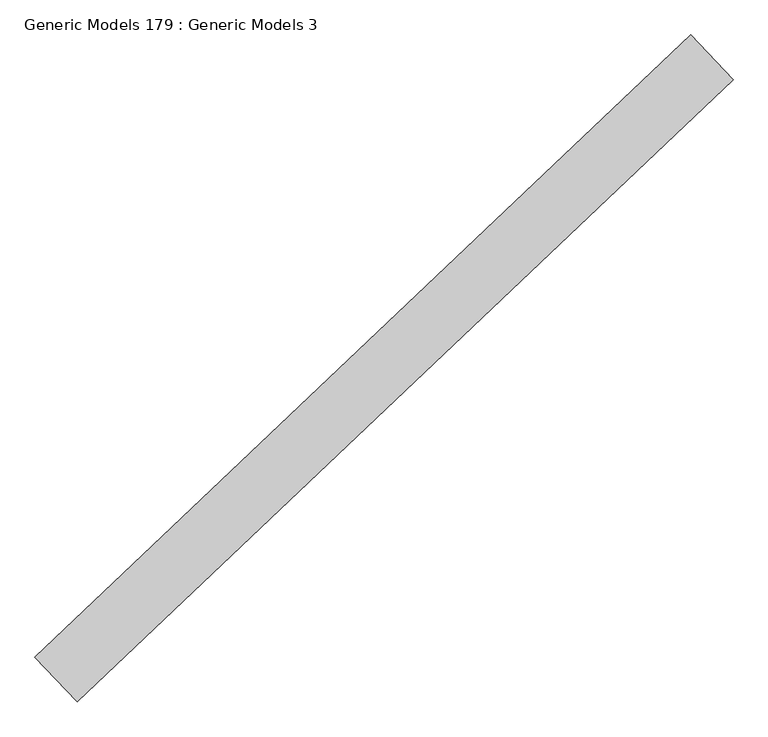
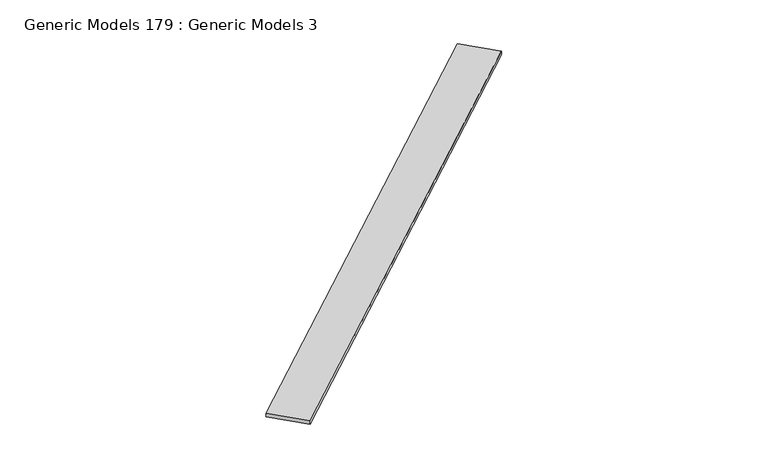
"""IFC4 building model written with IfcOpenShell, lengths in millimetres: proxy geometry, Generic Models 179 : Generic Models 3."""

import ifcopenshell
import ifcopenshell.guid

model = None  # the IFC model being written
_history = None  # IfcOwnerHistory: only IFC2X3 demands one
_inside = {}  # id of a spatial element -> (the spatial element, [elements in it])
_under = {}  # id of a project, library or spatial element -> (it, [spatial elements below it])
_declared = {}  # id of a project -> (the project, [libraries it declares])
_typed = {}  # id of a type object -> (the type object, [elements of that type])
_made_of = {}  # id of a material, layer set ... -> (it, [elements and type objects made of it])


def new_model(schema):
    """Start an empty IFC model of exactly this schema.

    Asked for "IFC4X3", IfcOpenShell would pick the latest addendum, in which some entities
    have other attributes; the version numbers below select the first issue.
    IFC2X3 requires an IfcOwnerHistory on every rooted entity: one is made here for all.
    """
    global model, _history
    if schema == "IFC4X3":
        model = ifcopenshell.file(schema_version=(4, 3, 0, 0))
    else:
        model = ifcopenshell.file(schema=schema)
    _inside.clear()
    _under.clear()
    _declared.clear()
    _typed.clear()
    _made_of.clear()
    _history = None
    if model.schema == "IFC2X3":
        org = make("IfcOrganization", Name="unknown")
        user = make(
            "IfcPersonAndOrganization",
            ThePerson=make("IfcPerson", FamilyName="unknown"),
            TheOrganization=org,
        )
        app = make(
            "IfcApplication",
            ApplicationDeveloper=org,
            Version="unknown",
            ApplicationFullName="unknown",
            ApplicationIdentifier="unknown",
        )
        _history = make(
            "IfcOwnerHistory",
            OwningUser=user,
            OwningApplication=app,
            ChangeAction="ADDED",
            CreationDate=0,
        )
    return model


def make(cls, **values):
    """One entity of the class cls with the attributes given. An attribute that is None is left unset."""
    return model.create_entity(
        cls, **{name: value for name, value in values.items() if value is not None}
    )


def rooted(cls, **values):
    """An entity with a GlobalId (a new one), such as an element, a storey or a relation."""
    return make(cls, GlobalId=ifcopenshell.guid.new(), OwnerHistory=_history, **values)


def si_unit(unit_type, name, prefix=None):
    """IfcSIUnit, for example si_unit("LENGTHUNIT", "METRE", prefix="MILLI")."""
    return make("IfcSIUnit", UnitType=unit_type, Prefix=prefix, Name=name)


def assignment(units):
    """IfcUnitAssignment: the units of a project."""
    return None if units is None else make("IfcUnitAssignment", Units=units)


def point(xyz):
    """IfcCartesianPoint."""
    return None if xyz is None else make("IfcCartesianPoint", Coordinates=xyz)


def direction(xyz):
    """IfcDirection."""
    return None if xyz is None else make("IfcDirection", DirectionRatios=xyz)


def frame(location, z_axis=None, x_axis=None):
    """IfcAxis2Placement3D, a coordinate frame: its origin and axes. An axis left out is left unset."""
    return make(
        "IfcAxis2Placement3D",
        Location=point(location),
        Axis=direction(z_axis),
        RefDirection=direction(x_axis),
    )


def origin():
    """The frame at (0, 0, 0) with its axes left unset."""
    return frame((0.0, 0.0, 0.0))


def place(relative_to, where):
    """IfcLocalPlacement: puts the frame where relative to a parent placement (None: the world)."""
    return make(
        "IfcLocalPlacement", PlacementRelTo=relative_to, RelativePlacement=where
    )


def context(
    kind, dimensions, precision=None, world=None, true_north=None, identifier=None
):
    """IfcGeometricRepresentationContext, for example the 3D "Model" context."""
    return make(
        "IfcGeometricRepresentationContext",
        ContextIdentifier=identifier,
        ContextType=kind,
        CoordinateSpaceDimension=dimensions,
        Precision=precision,
        WorldCoordinateSystem=world,
        TrueNorth=true_north,
    )


def project(units=None, contexts=None):
    """IfcProject with its units and contexts."""
    return rooted(
        "IfcProject",
        Name="project",
        RepresentationContexts=contexts,
        UnitsInContext=assignment(units),
    )


def spatial(cls, under=None, at=None, **own):
    """A site, building, storey or space (cls), placed at a placement, below another one or the project."""
    s = rooted(cls, ObjectPlacement=at, **own)
    if under is not None:
        _under.setdefault(under.id(), (under, []))[1].append(s)
    return s


def polyline(points):
    """IfcPolyline through the points."""
    return make("IfcPolyline", Points=[point(p) for p in points])


def outline(outer, holes=None, kind="AREA"):
    """IfcArbitraryClosedProfileDef: a profile drawn as a closed curve; with holes, ...WithVoids."""
    if holes is None:
        return make("IfcArbitraryClosedProfileDef", ProfileType=kind, OuterCurve=outer)
    return make(
        "IfcArbitraryProfileDefWithVoids",
        ProfileType=kind,
        OuterCurve=outer,
        InnerCurves=holes,
    )


def extrude(swept, where, along, depth):
    """IfcExtrudedAreaSolid: the profile swept, set in the frame where, extruded along a direction by depth."""
    return make(
        "IfcExtrudedAreaSolid",
        SweptArea=swept,
        Position=where,
        ExtrudedDirection=direction(along),
        Depth=depth,
    )


def shape(context_of_items, identifier, shape_type, items):
    """IfcShapeRepresentation: the items that make up one representation, for example the "Body"."""
    return make(
        "IfcShapeRepresentation",
        ContextOfItems=context_of_items,
        RepresentationIdentifier=identifier,
        RepresentationType=shape_type,
        Items=items,
    )


def source(mapping_origin, context_of_items, identifier, shape_type, items):
    """IfcRepresentationMap: a shape defined once, which mapped items show again and again."""
    return make(
        "IfcRepresentationMap",
        MappingOrigin=mapping_origin,
        MappedRepresentation=shape(context_of_items, identifier, shape_type, items),
    )


def transform(
    local_origin,
    x_axis=None,
    y_axis=None,
    z_axis=None,
    scale=None,
    scale2=None,
    scale3=None,
    uniform=True,
):
    """IfcCartesianTransformationOperator3D, or its non-uniform kind. x_axis, y_axis, z_axis: its Axis1, 2, 3."""
    if uniform:
        return make(
            "IfcCartesianTransformationOperator3D",
            Axis1=direction(x_axis),
            Axis2=direction(y_axis),
            LocalOrigin=point(local_origin),
            Scale=scale,
            Axis3=direction(z_axis),
        )
    return make(
        "IfcCartesianTransformationOperator3DnonUniform",
        Axis1=direction(x_axis),
        Axis2=direction(y_axis),
        LocalOrigin=point(local_origin),
        Scale=scale,
        Axis3=direction(z_axis),
        Scale2=scale2,
        Scale3=scale3,
    )


def mapped(mapping_source, mapping_target):
    """IfcMappedItem: shows the shape of a source again, moved by a transform."""
    return make(
        "IfcMappedItem", MappingSource=mapping_source, MappingTarget=mapping_target
    )


def made_of(thing, what):
    """Note that an element or type object is made of a material, layer set ...; save() writes the relation."""
    if what is not None:
        _made_of.setdefault(what.id(), (what, []))[1].append(thing)
    return thing


def element(
    cls,
    number,
    at=None,
    inside=None,
    cuts=None,
    type_object=None,
    material=None,
    context=None,
    identifier="Body",
    shape_type=None,
    held_by="IfcProductDefinitionShape",
    body=None,
    shapes=None,
    **own,
):
    """One element of the class cls, such as IfcWall. Its Tag is "e" and its number.

    at: its placement. inside: the storey or other place that contains it. cuts: it is an
    opening in that element (IfcRelVoidsElement). A single representation is given by context,
    identifier, shape_type and body (its items); several are given by shapes. held_by: the class
    of the entity that holds the representations. save() writes the other relations.
    """
    e = rooted(cls, Tag="e%d" % number, ObjectPlacement=at, **own)
    if body is not None:
        shapes = [shape(context, identifier, shape_type, body)]
    if shapes is not None:
        e.Representation = make(held_by, Representations=shapes)
    if inside is not None:
        _inside.setdefault(inside.id(), (inside, []))[1].append(e)
    if cuts is not None:
        rooted(
            "IfcRelVoidsElement", RelatingBuildingElement=cuts, RelatedOpeningElement=e
        )
    if type_object is not None:
        _typed.setdefault(type_object.id(), (type_object, []))[1].append(e)
    return made_of(e, material)


def aggregate(whole, parts):
    """IfcRelAggregates: a whole, such as a stair, and the parts it consists of."""
    return rooted("IfcRelAggregates", RelatingObject=whole, RelatedObjects=parts)


def save(model, path):
    """Write the relations noted so far, then the file.

    IfcRelAggregates (storeys below a building ...), IfcRelContainedInSpatialStructure (elements
    in a storey), IfcRelDefinesByType, IfcRelAssociatesMaterial and IfcRelDeclares: one each for
    every whole, place, type object, material and project.
    """
    for whole, parts in _under.values():
        aggregate(whole, parts)
    for where, things in _inside.values():
        rooted(
            "IfcRelContainedInSpatialStructure",
            RelatedElements=things,
            RelatingStructure=where,
        )
    for kind, things in _typed.values():
        rooted("IfcRelDefinesByType", RelatedObjects=things, RelatingType=kind)
    for what, things in _made_of.values():
        rooted("IfcRelAssociatesMaterial", RelatedObjects=things, RelatingMaterial=what)
    for by, libraries in _declared.values():
        rooted("IfcRelDeclares", RelatingContext=by, RelatedDefinitions=libraries)
    model.write(path)


def generic_models_179_generic_models_3_b58dd6e4(model_context):
    return source(origin(), model_context, "Body", "SweptSolid", [
        extrude(outline(polyline([(111665.2353123, 51338.8751029), (111877.897889, 51114.7755062), (108591.4260919, 47996.0302212), (108378.7635152, 48220.129818), (111665.2353123, 51338.8751029)])), frame((0.0, 0.0, 18652.1733985), z_axis=(0.0, 0.0, 1.0), x_axis=(1.0, 0.0, 0.0)), (0.0, 0.0, 1.0), 25.4),
    ])


if __name__ == "__main__":
    model = new_model("IFC4")
    model_context = context("Model", 3, world=origin())
    ifc_project = project(units=[si_unit("LENGTHUNIT", "METRE", prefix="MILLI")], contexts=[model_context])
    site = spatial("IfcSite", under=ifc_project)
    building = spatial("IfcBuilding", under=site)
    placement = place(None, origin())
    generic_models_179_generic_models_3_shape = generic_models_179_generic_models_3_b58dd6e4(model_context)
    element("IfcBuildingElementProxy", 1, Name="Generic Models 179 : Generic Models 3", ObjectType="Generic Models 179 : Generic Models 3", at=placement, inside=building, context=model_context, shape_type="MappedRepresentation", body=[
        mapped(generic_models_179_generic_models_3_shape, transform((0.0, 0.0, 0.0), x_axis=(1.0, 0.0, 0.0), y_axis=(0.0, 1.0, 0.0), z_axis=(0.0, 0.0, 1.0))),
    ])
    save(model, "model.ifc")
